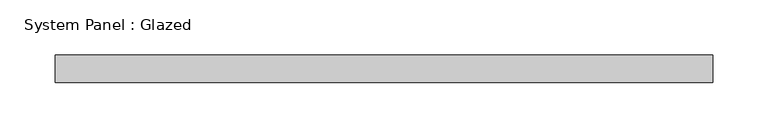
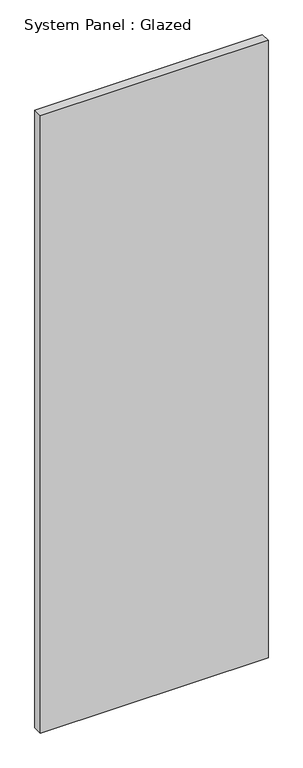
"""IFC4 building model written with IfcOpenShell, lengths in millimetres: plate geometry, System Panel : Glazed."""

from ifc_helpers import new_model, si_unit, origin, origin_with_axes, place, context, project, spatial, polyline, outline, extrude, source, transform, mapped, element, save


def system_panel_glazed_d629d774(model_context):
    return source(origin(), model_context, "Body", "SweptSolid", [
        extrude(outline(polyline([(298.846875, -44.45), (-298.846875, -44.45), (-298.846875, -19.05), (298.846875, -19.05), (298.846875, -44.45)])), origin_with_axes(), (0.0, 0.0, 1.0), 1714.5),
    ])


if __name__ == "__main__":
    model = new_model("IFC4")
    model_context = context("Model", 3, world=origin())
    ifc_project = project(units=[si_unit("LENGTHUNIT", "METRE", prefix="MILLI")], contexts=[model_context])
    site = spatial("IfcSite", under=ifc_project)
    building = spatial("IfcBuilding", under=site)
    placement = place(None, origin())
    system_panel_glazed_shape = system_panel_glazed_d629d774(model_context)
    element("IfcPlate", 1, ObjectType="System Panel : Glazed", at=placement, inside=building, context=model_context, shape_type="MappedRepresentation", body=[
        mapped(system_panel_glazed_shape, transform((0.0, 0.0, 0.0), x_axis=(1.0, 0.0, 0.0), y_axis=(0.0, 1.0, 0.0), z_axis=(0.0, 0.0, 1.0))),
    ])
    save(model, "model.ifc")
